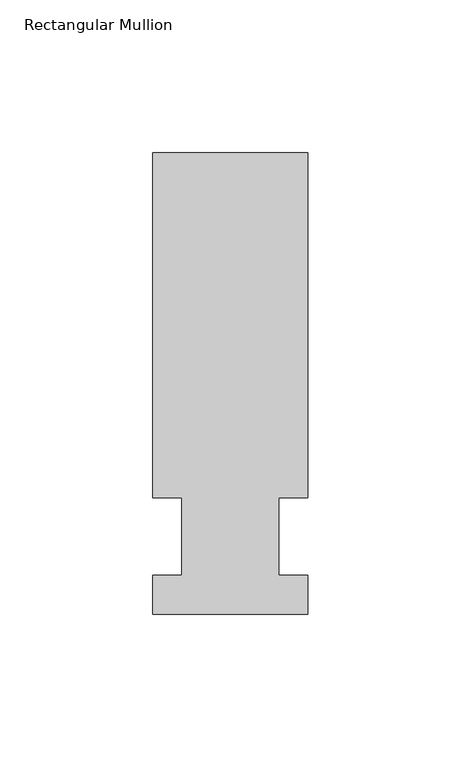
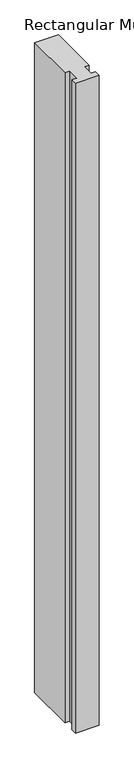
"""IFC4 building model written with IfcOpenShell, lengths in millimetres: member geometry, Rectangular Mullion."""

from ifc_helpers import new_model, si_unit, frame, origin, place, context, project, spatial, polyline, outline, extrude, source, transform, mapped, element, save


def rectangular_mullion_5c6ae79c(model_context):
    return source(origin(), model_context, "Body", "SweptSolid", [
        extrude(outline(polyline([(-25.4, -25.58415), (-25.4, -12.7), (-15.875, -12.7), (-15.875, 12.7), (-25.4, 12.7), (-25.4, 125.59665), (25.4, 125.59665), (25.4, 12.7), (15.875, 12.7), (15.875, -12.7), (25.4, -12.7), (25.4, -25.58415), (-25.4, -25.58415)])), frame((0.0, 0.0, -1473.2), z_axis=(0.0, 0.0, 1.0), x_axis=(1.0, 0.0, 0.0)), (0.0, 0.0, 1.0), 1473.2),
    ])


if __name__ == "__main__":
    model = new_model("IFC4")
    model_context = context("Model", 3, world=origin())
    ifc_project = project(units=[si_unit("LENGTHUNIT", "METRE", prefix="MILLI")], contexts=[model_context])
    site = spatial("IfcSite", under=ifc_project)
    building = spatial("IfcBuilding", under=site)
    placement = place(None, origin())
    rectangular_mullion_shape = rectangular_mullion_5c6ae79c(model_context)
    element("IfcMember", 1, ObjectType="Rectangular Mullion", at=placement, inside=building, context=model_context, shape_type="MappedRepresentation", body=[
        mapped(rectangular_mullion_shape, transform((0.0, 0.0, 0.0), x_axis=(1.0, 0.0, 0.0), y_axis=(0.0, 1.0, 0.0), z_axis=(0.0, 0.0, 1.0))),
    ])
    save(model, "model.ifc")
